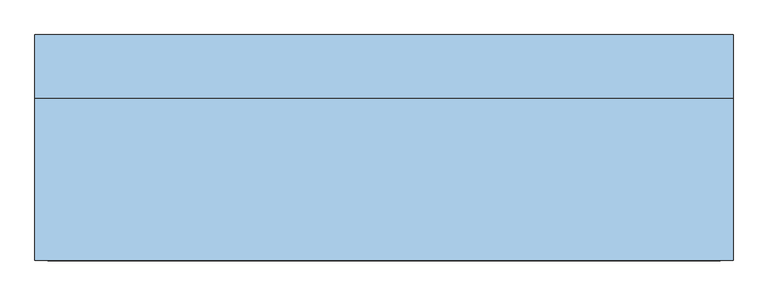
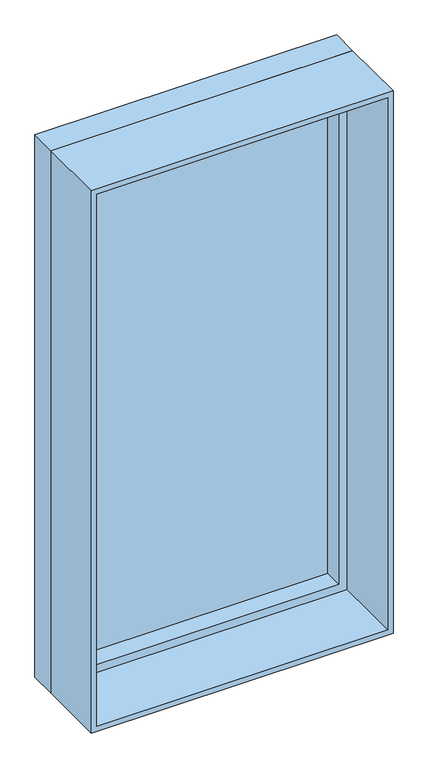
"""IFC4 building model written with IfcOpenShell, lengths in millimetres: window geometry."""

from ifc_helpers import new_model, si_unit, frame, origin, place, context, project, spatial, polyline, outline, extrude, source, transform, mapped, element, save


def window_09276775(model_context):
    return source(origin(), model_context, "Body", "SweptSolid", [
        extrude(outline(polyline([(3000.0, -592.3982693), (910.0, -592.3982693), (910.0, 507.6017307), (3000.0, 507.6017307), (3000.0, -592.3982693)]), holes=[polyline([(2950.0, 457.6017307), (960.0, 457.6017307), (960.0, -542.3982693), (2950.0, -542.3982693), (2950.0, 457.6017307)])]), frame((0.0, 48.0, 0.0), z_axis=(0.0, 1.0, 0.0), x_axis=(0.0, 0.0, 1.0)), (0.0, 0.0, 1.0), 100.0),
        extrude(outline(polyline([(-542.3982693, 128.0), (457.6017307, 128.0), (457.6017307, 118.0), (-542.3982693, 118.0), (-542.3982693, 128.0)])), frame((0.0, 0.0, 960.0), z_axis=(0.0, 0.0, 1.0), x_axis=(1.0, 0.0, 0.0)), (0.0, 0.0, 1.0), 1990.0),
        extrude(outline(polyline([(910.0, 507.6017307), (3000.0, 507.6017307), (3000.0, -592.3982693), (910.0, -592.3982693), (910.0, 507.6017307)]), holes=[polyline([(2980.0, 487.6017307), (930.0, 487.6017307), (930.0, -572.3982693), (2980.0, -572.3982693), (2980.0, 487.6017307)])]), frame((0.0, -208.0, 0.0), z_axis=(0.0, 1.0, 0.0), x_axis=(0.0, 0.0, 1.0)), (0.0, 0.0, 1.0), 256.0),
    ])


if __name__ == "__main__":
    model = new_model("IFC4")
    model_context = context("Model", 3, world=origin())
    ifc_project = project(units=[si_unit("LENGTHUNIT", "METRE", prefix="MILLI")], contexts=[model_context])
    site = spatial("IfcSite", under=ifc_project)
    building = spatial("IfcBuilding", under=site)
    placement = place(None, origin())
    window_shape = window_09276775(model_context)
    element("IfcWindow", 1, at=placement, inside=building, context=model_context, shape_type="MappedRepresentation", body=[
        mapped(window_shape, transform((0.0, 0.0, 0.0), x_axis=(1.0, 0.0, 0.0), y_axis=(0.0, 1.0, 0.0), z_axis=(0.0, 0.0, 1.0))),
    ])
    save(model, "model.ifc")
